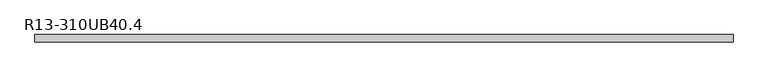
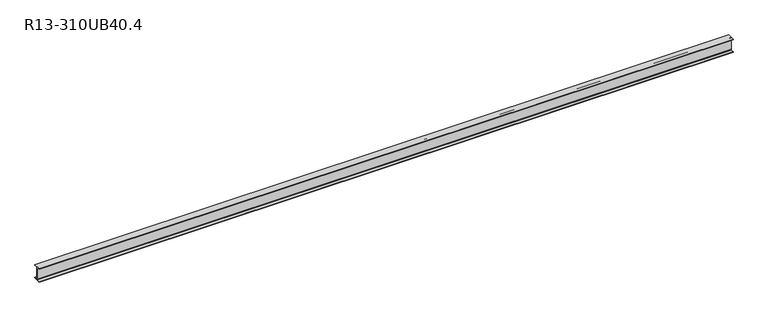
"""IFC4 building model written with IfcOpenShell, lengths in millimetres: beam geometry, R13-310UB40.4."""

from ifc_helpers import new_model, si_unit, point, frame, frame_2d, origin, place, context, project, spatial, polyline, circle_curve, trimmed, segment, composite_curve, outline, extrude, source, transform, mapped, element, save


def r13_310ub40_4_423cc5be(model_context):
    return source(origin(), model_context, "Body", "SweptSolid", [
        extrude(outline(composite_curve([segment(polyline([(-82.5, -141.8), (-14.45, -141.8)]), True, "CONTINUOUS"), segment(trimmed(circle_curve(frame_2d((-14.45, -130.4)), 11.4), [point((-14.45, -141.8))], [point((-3.05, -130.4))], True, "CARTESIAN"), True, "CONTINUOUS"), segment(polyline([(-3.05, -130.4), (-3.05, 130.4)]), True, "CONTINUOUS"), segment(trimmed(circle_curve(frame_2d((-14.45, 130.4)), 11.4), [point((-3.05, 130.4))], [point((-14.45, 141.8))], True, "CARTESIAN"), True, "CONTINUOUS"), segment(polyline([(-14.45, 141.8), (-82.5, 141.8), (-82.5, 152.0), (82.5, 152.0), (82.5, 141.8), (14.45, 141.8)]), True, "CONTINUOUS"), segment(trimmed(circle_curve(frame_2d((14.45, 130.4)), 11.4), [point((14.45, 141.8))], [point((3.05, 130.4))], True, "CARTESIAN"), True, "CONTINUOUS"), segment(polyline([(3.05, 130.4), (3.05, -130.4)]), True, "CONTINUOUS"), segment(trimmed(circle_curve(frame_2d((14.45, -130.4)), 11.4), [point((3.05, -130.4))], [point((14.45, -141.8))], True, "CARTESIAN"), True, "CONTINUOUS"), segment(polyline([(14.45, -141.8), (82.5, -141.8), (82.5, -152.0), (-82.5, -152.0), (-82.5, -141.8)]), True, "CONTINUOUS")], self_intersect=False)), frame((-7541.0, 0.0, 0.0), z_axis=(1.0, 0.0, 0.0), x_axis=(0.0, 1.0, 0.0)), (0.0, 0.0, 1.0), 15231.0),
    ])


if __name__ == "__main__":
    model = new_model("IFC4")
    model_context = context("Model", 3, world=origin())
    ifc_project = project(units=[si_unit("LENGTHUNIT", "METRE", prefix="MILLI")], contexts=[model_context])
    site = spatial("IfcSite", under=ifc_project)
    building = spatial("IfcBuilding", under=site)
    placement = place(None, origin())
    r13_310ub40_4_shape = r13_310ub40_4_423cc5be(model_context)
    element("IfcBeam", 1, ObjectType="R13-310UB40.4", at=placement, inside=building, context=model_context, shape_type="MappedRepresentation", body=[
        mapped(r13_310ub40_4_shape, transform((0.0, 0.0, 0.0), x_axis=(1.0, 0.0, 0.0), y_axis=(0.0, 1.0, 0.0), z_axis=(0.0, 0.0, 1.0))),
    ])
    save(model, "model.ifc")
